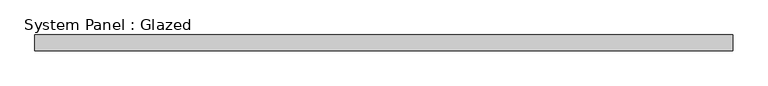
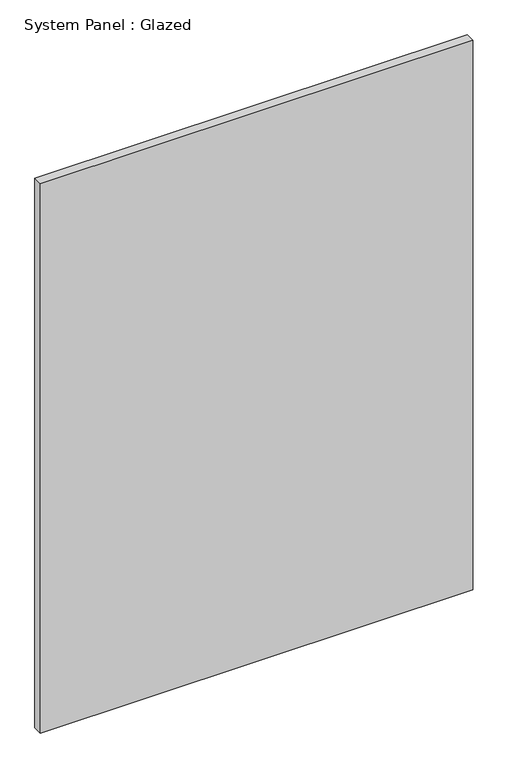
"""IFC4 building model written with IfcOpenShell, lengths in millimetres: plate geometry, System Panel : Glazed."""

from ifc_helpers import new_model, si_unit, origin, origin_with_axes, place, context, project, spatial, polyline, outline, extrude, source, transform, mapped, element, save


def system_panel_glazed_f5180736(model_context):
    return source(origin(), model_context, "Body", "SweptSolid", [
        extrude(outline(polyline([(557.8913591, 24.5), (-557.8913591, 24.5), (-557.8913591, 49.5), (557.8913591, 49.5), (557.8913591, 24.5)])), origin_with_axes(), (0.0, 0.0, 1.0), 1500.0),
    ])


if __name__ == "__main__":
    model = new_model("IFC4")
    model_context = context("Model", 3, world=origin())
    ifc_project = project(units=[si_unit("LENGTHUNIT", "METRE", prefix="MILLI")], contexts=[model_context])
    site = spatial("IfcSite", under=ifc_project)
    building = spatial("IfcBuilding", under=site)
    placement = place(None, origin())
    system_panel_glazed_shape = system_panel_glazed_f5180736(model_context)
    element("IfcPlate", 1, ObjectType="System Panel : Glazed", at=placement, inside=building, context=model_context, shape_type="MappedRepresentation", body=[
        mapped(system_panel_glazed_shape, transform((0.0, 0.0, 0.0), x_axis=(1.0, 0.0, 0.0), y_axis=(0.0, 1.0, 0.0), z_axis=(0.0, 0.0, 1.0))),
    ])
    save(model, "model.ifc")
